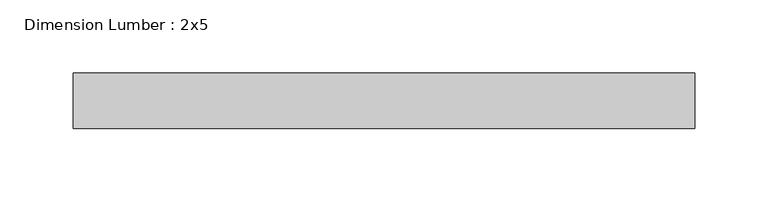
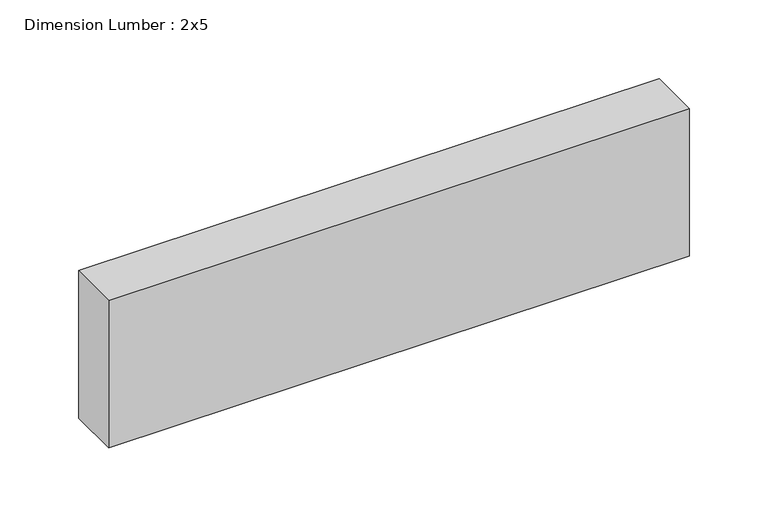
"""IFC4 building model written with IfcOpenShell, lengths in millimetres: beam geometry, Dimension Lumber : 2x5."""

from ifc_helpers import new_model, si_unit, frame, origin, place, context, project, spatial, polyline, outline, extrude, source, transform, mapped, element, save


def dimension_lumber_2x5_01f07abc(model_context):
    return source(origin(), model_context, "Body", "SweptSolid", [
        extrude(outline(polyline([(212.3340849, 19.05), (212.3340849, -19.05), (-212.7271305, -19.05), (-212.7271305, 19.05), (212.3340849, 19.05)])), frame((0.0, 0.0, -57.15), z_axis=(0.0, 0.0, 1.0), x_axis=(1.0, 0.0, 0.0)), (0.0, 0.0, 1.0), 114.3),
    ])


if __name__ == "__main__":
    model = new_model("IFC4")
    model_context = context("Model", 3, world=origin())
    ifc_project = project(units=[si_unit("LENGTHUNIT", "METRE", prefix="MILLI")], contexts=[model_context])
    site = spatial("IfcSite", under=ifc_project)
    building = spatial("IfcBuilding", under=site)
    placement = place(None, origin())
    dimension_lumber_2x5_shape = dimension_lumber_2x5_01f07abc(model_context)
    element("IfcBeam", 1, ObjectType="Dimension Lumber : 2x5", at=placement, inside=building, context=model_context, shape_type="MappedRepresentation", body=[
        mapped(dimension_lumber_2x5_shape, transform((0.0, 0.0, 0.0), x_axis=(1.0, 0.0, 0.0), y_axis=(0.0, 1.0, 0.0), z_axis=(0.0, 0.0, 1.0))),
    ])
    save(model, "model.ifc")
